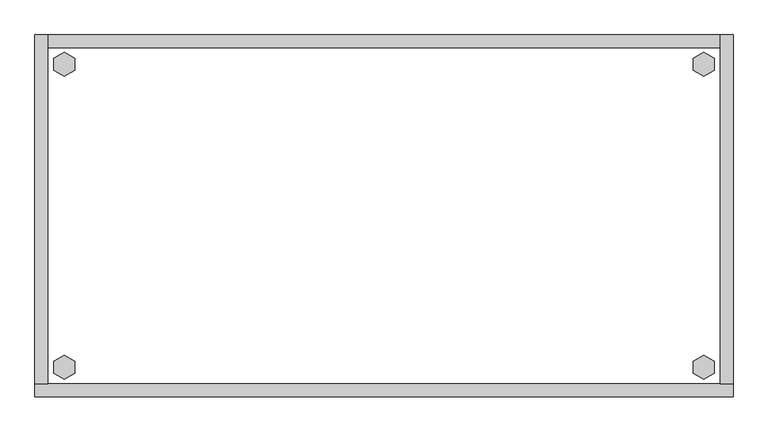
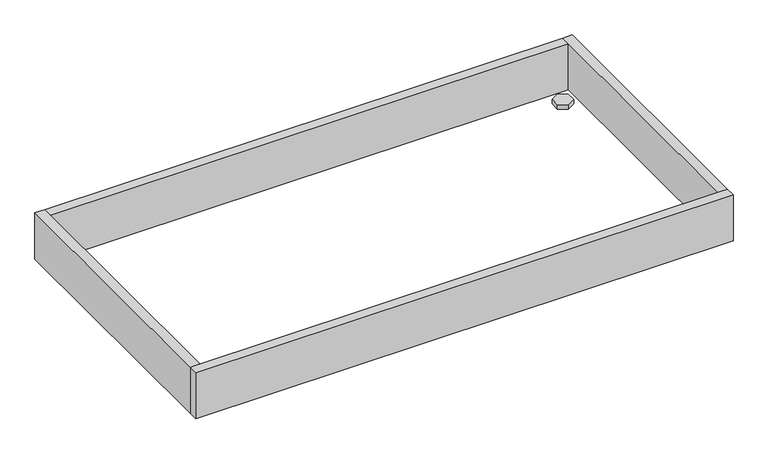
"""IFC4 building model written with IfcOpenShell, lengths in millimetres: furniture geometry."""

import ifcopenshell
import ifcopenshell.guid

model = None  # the IFC model being written
_history = None  # IfcOwnerHistory: only IFC2X3 demands one
_inside = {}  # id of a spatial element -> (the spatial element, [elements in it])
_under = {}  # id of a project, library or spatial element -> (it, [spatial elements below it])
_declared = {}  # id of a project -> (the project, [libraries it declares])
_typed = {}  # id of a type object -> (the type object, [elements of that type])
_made_of = {}  # id of a material, layer set ... -> (it, [elements and type objects made of it])


def new_model(schema):
    """Start an empty IFC model of exactly this schema.

    Asked for "IFC4X3", IfcOpenShell would pick the latest addendum, in which some entities
    have other attributes; the version numbers below select the first issue.
    IFC2X3 requires an IfcOwnerHistory on every rooted entity: one is made here for all.
    """
    global model, _history
    if schema == "IFC4X3":
        model = ifcopenshell.file(schema_version=(4, 3, 0, 0))
    else:
        model = ifcopenshell.file(schema=schema)
    _inside.clear()
    _under.clear()
    _declared.clear()
    _typed.clear()
    _made_of.clear()
    _history = None
    if model.schema == "IFC2X3":
        org = make("IfcOrganization", Name="unknown")
        user = make(
            "IfcPersonAndOrganization",
            ThePerson=make("IfcPerson", FamilyName="unknown"),
            TheOrganization=org,
        )
        app = make(
            "IfcApplication",
            ApplicationDeveloper=org,
            Version="unknown",
            ApplicationFullName="unknown",
            ApplicationIdentifier="unknown",
        )
        _history = make(
            "IfcOwnerHistory",
            OwningUser=user,
            OwningApplication=app,
            ChangeAction="ADDED",
            CreationDate=0,
        )
    return model


def make(cls, **values):
    """One entity of the class cls with the attributes given. An attribute that is None is left unset."""
    return model.create_entity(
        cls, **{name: value for name, value in values.items() if value is not None}
    )


def rooted(cls, **values):
    """An entity with a GlobalId (a new one), such as an element, a storey or a relation."""
    return make(cls, GlobalId=ifcopenshell.guid.new(), OwnerHistory=_history, **values)


def si_unit(unit_type, name, prefix=None):
    """IfcSIUnit, for example si_unit("LENGTHUNIT", "METRE", prefix="MILLI")."""
    return make("IfcSIUnit", UnitType=unit_type, Prefix=prefix, Name=name)


def assignment(units):
    """IfcUnitAssignment: the units of a project."""
    return None if units is None else make("IfcUnitAssignment", Units=units)


def point(xyz):
    """IfcCartesianPoint."""
    return None if xyz is None else make("IfcCartesianPoint", Coordinates=xyz)


def direction(xyz):
    """IfcDirection."""
    return None if xyz is None else make("IfcDirection", DirectionRatios=xyz)


def frame(location, z_axis=None, x_axis=None):
    """IfcAxis2Placement3D, a coordinate frame: its origin and axes. An axis left out is left unset."""
    return make(
        "IfcAxis2Placement3D",
        Location=point(location),
        Axis=direction(z_axis),
        RefDirection=direction(x_axis),
    )


def origin():
    """The frame at (0, 0, 0) with its axes left unset."""
    return frame((0.0, 0.0, 0.0))


def origin_with_axes():
    """The frame at (0, 0, 0) with the z axis (0, 0, 1) and the x axis (1, 0, 0) written out."""
    return frame((0.0, 0.0, 0.0), z_axis=(0.0, 0.0, 1.0), x_axis=(1.0, 0.0, 0.0))


def place(relative_to, where):
    """IfcLocalPlacement: puts the frame where relative to a parent placement (None: the world)."""
    return make(
        "IfcLocalPlacement", PlacementRelTo=relative_to, RelativePlacement=where
    )


def context(
    kind, dimensions, precision=None, world=None, true_north=None, identifier=None
):
    """IfcGeometricRepresentationContext, for example the 3D "Model" context."""
    return make(
        "IfcGeometricRepresentationContext",
        ContextIdentifier=identifier,
        ContextType=kind,
        CoordinateSpaceDimension=dimensions,
        Precision=precision,
        WorldCoordinateSystem=world,
        TrueNorth=true_north,
    )


def project(units=None, contexts=None):
    """IfcProject with its units and contexts."""
    return rooted(
        "IfcProject",
        Name="project",
        RepresentationContexts=contexts,
        UnitsInContext=assignment(units),
    )


def spatial(cls, under=None, at=None, **own):
    """A site, building, storey or space (cls), placed at a placement, below another one or the project."""
    s = rooted(cls, ObjectPlacement=at, **own)
    if under is not None:
        _under.setdefault(under.id(), (under, []))[1].append(s)
    return s


def polyline(points):
    """IfcPolyline through the points."""
    return make("IfcPolyline", Points=[point(p) for p in points])


def outline(outer, holes=None, kind="AREA"):
    """IfcArbitraryClosedProfileDef: a profile drawn as a closed curve; with holes, ...WithVoids."""
    if holes is None:
        return make("IfcArbitraryClosedProfileDef", ProfileType=kind, OuterCurve=outer)
    return make(
        "IfcArbitraryProfileDefWithVoids",
        ProfileType=kind,
        OuterCurve=outer,
        InnerCurves=holes,
    )


def extrude(swept, where, along, depth):
    """IfcExtrudedAreaSolid: the profile swept, set in the frame where, extruded along a direction by depth."""
    return make(
        "IfcExtrudedAreaSolid",
        SweptArea=swept,
        Position=where,
        ExtrudedDirection=direction(along),
        Depth=depth,
    )


def shape(context_of_items, identifier, shape_type, items):
    """IfcShapeRepresentation: the items that make up one representation, for example the "Body"."""
    return make(
        "IfcShapeRepresentation",
        ContextOfItems=context_of_items,
        RepresentationIdentifier=identifier,
        RepresentationType=shape_type,
        Items=items,
    )


def source(mapping_origin, context_of_items, identifier, shape_type, items):
    """IfcRepresentationMap: a shape defined once, which mapped items show again and again."""
    return make(
        "IfcRepresentationMap",
        MappingOrigin=mapping_origin,
        MappedRepresentation=shape(context_of_items, identifier, shape_type, items),
    )


def transform(
    local_origin,
    x_axis=None,
    y_axis=None,
    z_axis=None,
    scale=None,
    scale2=None,
    scale3=None,
    uniform=True,
):
    """IfcCartesianTransformationOperator3D, or its non-uniform kind. x_axis, y_axis, z_axis: its Axis1, 2, 3."""
    if uniform:
        return make(
            "IfcCartesianTransformationOperator3D",
            Axis1=direction(x_axis),
            Axis2=direction(y_axis),
            LocalOrigin=point(local_origin),
            Scale=scale,
            Axis3=direction(z_axis),
        )
    return make(
        "IfcCartesianTransformationOperator3DnonUniform",
        Axis1=direction(x_axis),
        Axis2=direction(y_axis),
        LocalOrigin=point(local_origin),
        Scale=scale,
        Axis3=direction(z_axis),
        Scale2=scale2,
        Scale3=scale3,
    )


def mapped(mapping_source, mapping_target):
    """IfcMappedItem: shows the shape of a source again, moved by a transform."""
    return make(
        "IfcMappedItem", MappingSource=mapping_source, MappingTarget=mapping_target
    )


def made_of(thing, what):
    """Note that an element or type object is made of a material, layer set ...; save() writes the relation."""
    if what is not None:
        _made_of.setdefault(what.id(), (what, []))[1].append(thing)
    return thing


def element(
    cls,
    number,
    at=None,
    inside=None,
    cuts=None,
    type_object=None,
    material=None,
    context=None,
    identifier="Body",
    shape_type=None,
    held_by="IfcProductDefinitionShape",
    body=None,
    shapes=None,
    **own,
):
    """One element of the class cls, such as IfcWall. Its Tag is "e" and its number.

    at: its placement. inside: the storey or other place that contains it. cuts: it is an
    opening in that element (IfcRelVoidsElement). A single representation is given by context,
    identifier, shape_type and body (its items); several are given by shapes. held_by: the class
    of the entity that holds the representations. save() writes the other relations.
    """
    e = rooted(cls, Tag="e%d" % number, ObjectPlacement=at, **own)
    if body is not None:
        shapes = [shape(context, identifier, shape_type, body)]
    if shapes is not None:
        e.Representation = make(held_by, Representations=shapes)
    if inside is not None:
        _inside.setdefault(inside.id(), (inside, []))[1].append(e)
    if cuts is not None:
        rooted(
            "IfcRelVoidsElement", RelatingBuildingElement=cuts, RelatedOpeningElement=e
        )
    if type_object is not None:
        _typed.setdefault(type_object.id(), (type_object, []))[1].append(e)
    return made_of(e, material)


def aggregate(whole, parts):
    """IfcRelAggregates: a whole, such as a stair, and the parts it consists of."""
    return rooted("IfcRelAggregates", RelatingObject=whole, RelatedObjects=parts)


def save(model, path):
    """Write the relations noted so far, then the file.

    IfcRelAggregates (storeys below a building ...), IfcRelContainedInSpatialStructure (elements
    in a storey), IfcRelDefinesByType, IfcRelAssociatesMaterial and IfcRelDeclares: one each for
    every whole, place, type object, material and project.
    """
    for whole, parts in _under.values():
        aggregate(whole, parts)
    for where, things in _inside.values():
        rooted(
            "IfcRelContainedInSpatialStructure",
            RelatedElements=things,
            RelatingStructure=where,
        )
    for kind, things in _typed.values():
        rooted("IfcRelDefinesByType", RelatedObjects=things, RelatingType=kind)
    for what, things in _made_of.values():
        rooted("IfcRelAssociatesMaterial", RelatedObjects=things, RelatingMaterial=what)
    for by, libraries in _declared.values():
        rooted("IfcRelDeclares", RelatingContext=by, RelatedDefinitions=libraries)
    model.write(path)


def furniture_5919818e(model_context):
    return source(origin(), model_context, "Body", "SweptSolid", [
        extrude(outline(polyline([(1006.1735422, -498.8179), (1022.1214, -489.6104), (1038.0692578, -498.8179), (1038.0692578, -517.2329), (1022.1214, -526.4404), (1006.1735422, -517.2329), (1006.1735422, -498.8179)])), origin_with_axes(), (0.0, 0.0, 1.0), 9.144),
        extrude(outline(polyline([(1006.1735422, -35.4711), (1022.1214, -26.2636), (1038.0692578, -35.4711), (1038.0692578, -53.8861), (1022.1214, -63.0936), (1006.1735422, -53.8861), (1006.1735422, -35.4711)])), origin_with_axes(), (0.0, 0.0, 1.0), 9.144),
        extrude(outline(polyline([(28.7307422, -498.8179), (44.6786, -489.6104), (60.6264578, -498.8179), (60.6264578, -517.2329), (44.6786, -526.4404), (28.7307422, -517.2329), (28.7307422, -498.8179)])), origin_with_axes(), (0.0, 0.0, 1.0), 9.144),
        extrude(outline(polyline([(28.7307422, -35.4711), (44.6786, -26.2636), (60.6264578, -35.4711), (60.6264578, -53.8861), (44.6786, -63.0936), (28.7307422, -53.8861), (28.7307422, -35.4711)])), origin_with_axes(), (0.0, 0.0, 1.0), 9.144),
        extrude(outline(polyline([(19.304, 0.0), (19.304, -533.4), (0.0, -533.4), (0.0, 0.0), (19.304, 0.0)])), frame((0.0, 0.0, 4.699), z_axis=(0.0, 0.0, 1.0), x_axis=(1.0, 0.0, 0.0)), (0.0, 0.0, 1.0), 96.901),
        extrude(outline(polyline([(1066.8, 0.0), (1066.8, -533.4), (1047.496, -533.4), (1047.496, 0.0), (1066.8, 0.0)])), frame((0.0, 0.0, 4.699), z_axis=(0.0, 0.0, 1.0), x_axis=(1.0, 0.0, 0.0)), (0.0, 0.0, 1.0), 96.901),
        extrude(outline(polyline([(1047.496, -19.304), (19.304, -19.304), (19.304, 0.0), (1047.496, 0.0), (1047.496, -19.304)])), frame((0.0, 0.0, 4.699), z_axis=(0.0, 0.0, 1.0), x_axis=(1.0, 0.0, 0.0)), (0.0, 0.0, 1.0), 96.901),
        extrude(outline(polyline([(1066.8, -533.4), (1066.8, -552.704), (0.0, -552.704), (0.0, -533.4), (1066.8, -533.4)])), frame((0.0, 0.0, 4.699), z_axis=(0.0, 0.0, 1.0), x_axis=(1.0, 0.0, 0.0)), (0.0, 0.0, 1.0), 96.901),
    ])


if __name__ == "__main__":
    model = new_model("IFC4")
    model_context = context("Model", 3, world=origin())
    ifc_project = project(units=[si_unit("LENGTHUNIT", "METRE", prefix="MILLI")], contexts=[model_context])
    site = spatial("IfcSite", under=ifc_project)
    building = spatial("IfcBuilding", under=site)
    placement = place(None, origin())
    furniture_shape = furniture_5919818e(model_context)
    element("IfcFurniture", 1, at=placement, inside=building, context=model_context, shape_type="MappedRepresentation", body=[
        mapped(furniture_shape, transform((0.0, 0.0, 0.0), x_axis=(1.0, 0.0, 0.0), y_axis=(0.0, 1.0, 0.0), z_axis=(0.0, 0.0, 1.0))),
    ])
    save(model, "model.ifc")
